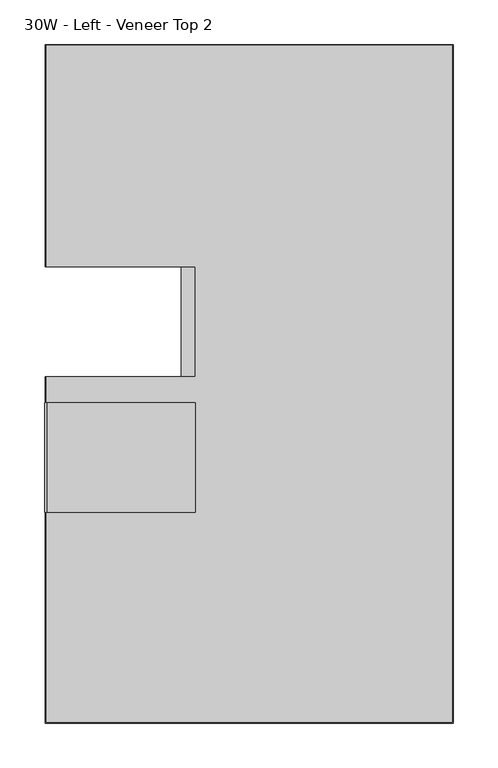
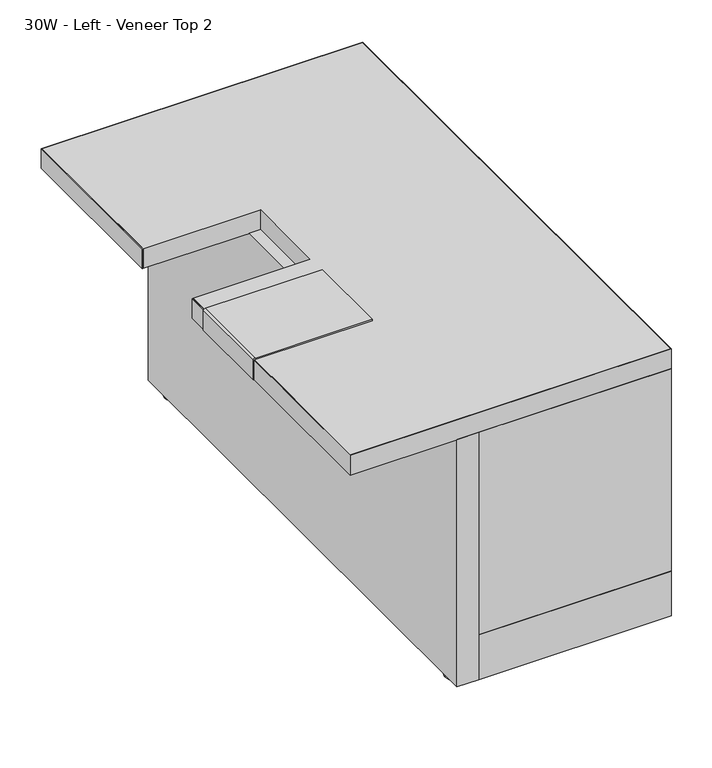
"""IFC4 building model written with IfcOpenShell, lengths in millimetres: furniture geometry, 30W - Left - Veneer Top 2."""

from ifc_helpers import new_model, si_unit, point, frame, frame_2d, origin, origin_with_axes, place, context, project, spatial, polyline, circle_curve, trimmed, segment, composite_curve, outline, extrude, source, transform, mapped, element, save


def furniture_30w_left_veneer_top_2_b2cd0bd1(model_context):
    return source(origin(), model_context, "Body", "SweptSolid", [
        extrude(outline(composite_curve([segment(trimmed(circle_curve(frame_2d((4158.2619131, 33.1991024)), 2.6284763), [point((4155.6334368, 33.1991024))], [point((4160.8903893, 33.1991024))], False, "CARTESIAN"), True, "CONTINUOUS"), segment(trimmed(circle_curve(frame_2d((4158.2619131, 33.1991024)), 2.6284763), [point((4160.8903893, 33.1991024))], [point((4155.6334368, 33.1991024))], False, "CARTESIAN"), True, "CONTINUOUS")], self_intersect=False)), frame((0.0, 0.0, 4.2238198), z_axis=(0.0, 0.0, 1.0), x_axis=(1.0, 0.0, 0.0)), (0.0, 0.0, 1.0), 3.3651099),
        extrude(outline(composite_curve([segment(trimmed(circle_curve(frame_2d((4421.3505056, 32.993083)), 2.54), [point((4418.8105056, 32.993083))], [point((4423.8905056, 32.993083))], False, "CARTESIAN"), True, "CONTINUOUS"), segment(trimmed(circle_curve(frame_2d((4421.3505056, 32.993083)), 2.54), [point((4423.8905056, 32.993083))], [point((4418.8105056, 32.993083))], False, "CARTESIAN"), True, "CONTINUOUS")], self_intersect=False)), frame((0.0, 0.0, 4.2238198), z_axis=(0.0, 0.0, 1.0), x_axis=(1.0, 0.0, 0.0)), (0.0, 0.0, 1.0), 3.3651099),
        extrude(outline(composite_curve([segment(trimmed(circle_curve(frame_2d((4421.892333, 725.2100867)), 2.5760548), [point((4419.3162782, 725.2100867))], [point((4424.4683878, 725.2100867))], False, "CARTESIAN"), True, "CONTINUOUS"), segment(trimmed(circle_curve(frame_2d((4421.892333, 725.2100867)), 2.5760548), [point((4424.4683878, 725.2100867))], [point((4419.3162782, 725.2100867))], False, "CARTESIAN"), True, "CONTINUOUS")], self_intersect=False)), frame((0.0, 0.0, 4.2238198), z_axis=(0.0, 0.0, 1.0), x_axis=(1.0, 0.0, 0.0)), (0.0, 0.0, 1.0), 3.3651099),
        extrude(outline(composite_curve([segment(trimmed(circle_curve(frame_2d((4158.8037405, 725.4161788)), 2.54), [point((4156.2637405, 725.4161788))], [point((4161.3437405, 725.4161788))], False, "CARTESIAN"), True, "CONTINUOUS"), segment(trimmed(circle_curve(frame_2d((4158.8037405, 725.4161788)), 2.54), [point((4161.3437405, 725.4161788))], [point((4156.2637405, 725.4161788))], False, "CARTESIAN"), True, "CONTINUOUS")], self_intersect=False)), frame((0.0, 0.0, 4.2238198), z_axis=(0.0, 0.0, 1.0), x_axis=(1.0, 0.0, 0.0)), (0.0, 0.0, 1.0), 3.3651099),
        extrude(outline(composite_curve([segment(trimmed(circle_curve(frame_2d((4158.2619131, 33.1991024)), 19.05), [point((4139.2119131, 33.1991024))], [point((4177.3119131, 33.1991024))], False, "CARTESIAN"), True, "CONTINUOUS"), segment(trimmed(circle_curve(frame_2d((4158.2619131, 33.1991024)), 19.05), [point((4177.3119131, 33.1991024))], [point((4139.2119131, 33.1991024))], False, "CARTESIAN"), True, "CONTINUOUS")], self_intersect=False)), origin_with_axes(), (0.0, 0.0, 1.0), 4.2238198),
        extrude(outline(composite_curve([segment(trimmed(circle_curve(frame_2d((4421.3505056, 32.993083)), 19.05), [point((4402.3005056, 32.993083))], [point((4440.4005056, 32.993083))], False, "CARTESIAN"), True, "CONTINUOUS"), segment(trimmed(circle_curve(frame_2d((4421.3505056, 32.993083)), 19.05), [point((4440.4005056, 32.993083))], [point((4402.3005056, 32.993083))], False, "CARTESIAN"), True, "CONTINUOUS")], self_intersect=False)), origin_with_axes(), (0.0, 0.0, 1.0), 4.2238198),
        extrude(outline(composite_curve([segment(trimmed(circle_curve(frame_2d((4421.892333, 725.2100867)), 19.05), [point((4402.842333, 725.2100867))], [point((4440.942333, 725.2100867))], False, "CARTESIAN"), True, "CONTINUOUS"), segment(trimmed(circle_curve(frame_2d((4421.892333, 725.2100867)), 19.05), [point((4440.942333, 725.2100867))], [point((4402.842333, 725.2100867))], False, "CARTESIAN"), True, "CONTINUOUS")], self_intersect=False)), origin_with_axes(), (0.0, 0.0, 1.0), 4.2238198),
        extrude(outline(composite_curve([segment(trimmed(circle_curve(frame_2d((4158.8037405, 725.4161788)), 19.05), [point((4139.7537405, 725.4161788))], [point((4177.8537405, 725.4161788))], False, "CARTESIAN"), True, "CONTINUOUS"), segment(trimmed(circle_curve(frame_2d((4158.8037405, 725.4161788)), 19.05), [point((4177.8537405, 725.4161788))], [point((4139.7537405, 725.4161788))], False, "CARTESIAN"), True, "CONTINUOUS")], self_intersect=False)), origin_with_axes(), (0.0, 0.0, 1.0), 4.2238198),
        extrude(outline(polyline([(4166.9399615, -1.9276042), (4136.0272237, -1.9276042), (4136.0272237, 760.0723958), (4166.9399615, 760.0723958), (4166.9399615, -1.9276042)])), frame((0.0, 0.0, 7.5889297), z_axis=(0.0, 0.0, 1.0), x_axis=(1.0, 0.0, 0.0)), (0.0, 0.0, 1.0), 372.3007456),
        extrude(outline(polyline([(4166.9399615, -1.9276042), (4166.9399615, 760.0723958), (4441.4721456, 760.0723958), (4441.4721456, -1.9276042), (4166.9399615, -1.9276042)])), frame((0.0, 0.0, 7.5889297), z_axis=(0.0, 0.0, 1.0), x_axis=(1.0, 0.0, 0.0)), (0.0, 0.0, 1.0), 67.4270526),
        extrude(outline(polyline([(4166.9399615, 760.0723958), (4441.4721456, 760.0723958), (4441.4721456, 741.1019518), (4166.9399615, 741.1019518), (4166.9399615, 760.0723958)])), frame((0.0, 0.0, 75.0159824), z_axis=(0.0, 0.0, 1.0), x_axis=(1.0, 0.0, 0.0)), (0.0, 0.0, 1.0), 304.873693),
        extrude(outline(polyline([(4166.9399615, -1.9276042), (4166.9399615, 17.1421639), (4441.4721456, 17.1421639), (4441.4721456, -1.9276042), (4166.9399615, -1.9276042)])), frame((0.0, 0.0, 75.0159824), z_axis=(0.0, 0.0, 1.0), x_axis=(1.0, 0.0, 0.0)), (0.0, 0.0, 1.0), 304.873693),
        extrude(outline(composite_curve([segment(polyline([(379.8896753, 3983.6768331), (409.5798689, 3983.6768331), (409.5798689, 4152.0544781), (411.9798677, 4152.0544781), (411.9798677, 3985.1754238)]), True, "CONTINUOUS"), segment(trimmed(circle_curve(frame_2d((409.4398677, 3985.1754238)), 2.54), [point((411.9798677, 3985.1754238))], [point((409.4398677, 3982.6354238))], False, "CARTESIAN"), True, "CONTINUOUS"), segment(polyline([(409.4398677, 3982.6354238), (379.8896753, 3982.6354238), (379.8896753, 3983.6768331)]), True, "CONTINUOUS")], self_intersect=False)), frame((0.0, 234.9144709, 0.0), z_axis=(0.0, 1.0, 0.0), x_axis=(0.0, 0.0, 1.0)), (0.0, 0.0, 1.0), 123.1711782),
        extrude(outline(polyline([(4440.4799581, -0.9116042), (3984.6690206, -0.9116042), (3984.6690206, 387.3144709), (4152.0544781, 387.3144709), (4152.0544781, 510.4856491), (3984.6690206, 510.4856491), (3984.6690206, 759.1040208), (4440.4799581, 759.1040208), (4440.4799581, -0.9116042)])), frame((0.0, 0.0, 379.8896753), z_axis=(0.0, 0.0, 1.0), x_axis=(1.0, 0.0, 0.0)), (0.0, 0.0, 1.0), 29.6901936),
        extrude(outline(polyline([(4441.4721456, -1.9276042), (3983.6768331, -1.9276042), (3983.6768331, 387.3144709), (3984.6690206, 387.3144709), (3984.6690206, -0.9116042), (4440.4799581, -0.9116042), (4440.4799581, 759.1040208), (3984.6690206, 759.1040208), (3984.6690206, 510.4856491), (3983.6768331, 510.4856491), (3983.6768331, 760.0723958), (4441.4721456, 760.0723958), (4441.4721456, -1.9276042)])), frame((0.0, 0.0, 379.8896753), z_axis=(0.0, 0.0, 1.0), x_axis=(1.0, 0.0, 0.0)), (0.0, 0.0, 1.0), 29.6901936),
    ])


if __name__ == "__main__":
    model = new_model("IFC4")
    model_context = context("Model", 3, world=origin())
    ifc_project = project(units=[si_unit("LENGTHUNIT", "METRE", prefix="MILLI")], contexts=[model_context])
    site = spatial("IfcSite", under=ifc_project)
    building = spatial("IfcBuilding", under=site)
    placement = place(None, origin())
    furniture_30w_left_veneer_top_2_shape = furniture_30w_left_veneer_top_2_b2cd0bd1(model_context)
    element("IfcFurniture", 1, ObjectType="30W - Left - Veneer Top 2", at=placement, inside=building, context=model_context, shape_type="MappedRepresentation", body=[
        mapped(furniture_30w_left_veneer_top_2_shape, transform((0.0, 0.0, 0.0), x_axis=(1.0, 0.0, 0.0), y_axis=(0.0, 1.0, 0.0), z_axis=(0.0, 0.0, 1.0))),
    ])
    save(model, "model.ifc")
